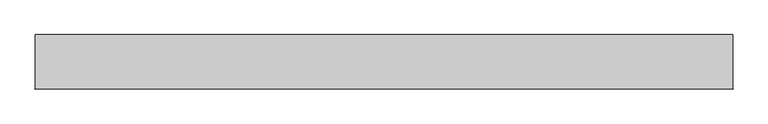
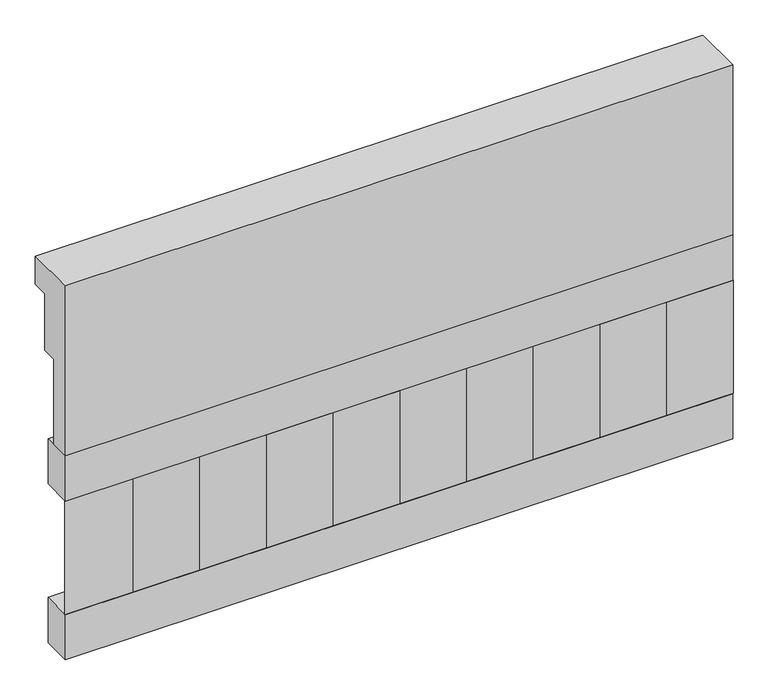
"""IFC4 building model written with IfcOpenShell, lengths in millimetres: railing geometry."""

from ifc_helpers import new_model, si_unit, frame, origin, place, context, project, spatial, polyline, outline, extrude, source, transform, mapped, element, save


def railing_fdb1b1fe(model_context):
    return source(origin(), model_context, "Body", "SweptSolid", [
        extrude(outline(polyline([(903.1079487, 15200.0), (1033.1079487, 15200.0), (1033.1079487, 15125.0), (993.1079487, 15125.0), (993.1079487, 14975.0), (953.1079487, 14975.0), (953.1079487, 14750.0), (903.1079487, 14750.0), (903.1079487, 15200.0)])), frame((-26239.9887159, 0.0, 0.0), z_axis=(1.0, 0.0, 0.0), x_axis=(0.0, 1.0, 0.0)), (0.0, 0.0, 1.0), 1670.0),
        extrude(outline(polyline([(-24569.9887159, 978.1079487), (-24569.9887159, 903.1079487), (-26239.9887159, 903.1079487), (-26239.9887159, 978.1079487), (-24569.9887159, 978.1079487)])), frame((0.0, 0.0, 14630.0), z_axis=(0.0, 0.0, 1.0), x_axis=(1.0, 0.0, 0.0)), (0.0, 0.0, 1.0), 120.0),
        extrude(outline(polyline([(-24569.9887159, 978.1079487), (-24569.9887159, 903.1079487), (-26239.9887159, 903.1079487), (-26239.9887159, 978.1079487), (-24569.9887159, 978.1079487)])), frame((0.0, 0.0, 14210.0), z_axis=(0.0, 0.0, 1.0), x_axis=(1.0, 0.0, 0.0)), (0.0, 0.0, 1.0), 120.0),
        extrude(outline(polyline([(-26156.4887159, 987.9607624), (-26071.6359022, 903.1079487), (-26241.3415296, 903.1079487), (-26156.4887159, 987.9607624)])), frame((0.0, 0.0, 14330.0), z_axis=(0.0, 0.0, 1.0), x_axis=(1.0, 0.0, 0.0)), (0.0, 0.0, 1.0), 300.0),
        extrude(outline(polyline([(-25989.4887159, 987.9607624), (-25904.6359022, 903.1079487), (-26074.3415296, 903.1079487), (-25989.4887159, 987.9607624)])), frame((0.0, 0.0, 14330.0), z_axis=(0.0, 0.0, 1.0), x_axis=(1.0, 0.0, 0.0)), (0.0, 0.0, 1.0), 300.0),
        extrude(outline(polyline([(-25822.4887159, 987.9607624), (-25737.6359022, 903.1079487), (-25907.3415296, 903.1079487), (-25822.4887159, 987.9607624)])), frame((0.0, 0.0, 14330.0), z_axis=(0.0, 0.0, 1.0), x_axis=(1.0, 0.0, 0.0)), (0.0, 0.0, 1.0), 300.0),
        extrude(outline(polyline([(-25655.4887159, 987.9607624), (-25570.6359022, 903.1079487), (-25740.3415296, 903.1079487), (-25655.4887159, 987.9607624)])), frame((0.0, 0.0, 14330.0), z_axis=(0.0, 0.0, 1.0), x_axis=(1.0, 0.0, 0.0)), (0.0, 0.0, 1.0), 300.0),
        extrude(outline(polyline([(-25488.4887159, 987.9607624), (-25403.6359022, 903.1079487), (-25573.3415296, 903.1079487), (-25488.4887159, 987.9607624)])), frame((0.0, 0.0, 14330.0), z_axis=(0.0, 0.0, 1.0), x_axis=(1.0, 0.0, 0.0)), (0.0, 0.0, 1.0), 300.0),
        extrude(outline(polyline([(-25321.4887159, 987.9607624), (-25236.6359022, 903.1079487), (-25406.3415296, 903.1079487), (-25321.4887159, 987.9607624)])), frame((0.0, 0.0, 14330.0), z_axis=(0.0, 0.0, 1.0), x_axis=(1.0, 0.0, 0.0)), (0.0, 0.0, 1.0), 300.0),
        extrude(outline(polyline([(-25154.4887159, 987.9607624), (-25069.6359022, 903.1079487), (-25239.3415296, 903.1079487), (-25154.4887159, 987.9607624)])), frame((0.0, 0.0, 14330.0), z_axis=(0.0, 0.0, 1.0), x_axis=(1.0, 0.0, 0.0)), (0.0, 0.0, 1.0), 300.0),
        extrude(outline(polyline([(-24987.4887159, 987.9607624), (-24902.6359022, 903.1079487), (-25072.3415296, 903.1079487), (-24987.4887159, 987.9607624)])), frame((0.0, 0.0, 14330.0), z_axis=(0.0, 0.0, 1.0), x_axis=(1.0, 0.0, 0.0)), (0.0, 0.0, 1.0), 300.0),
        extrude(outline(polyline([(-24820.4887159, 987.9607624), (-24735.6359022, 903.1079487), (-24905.3415296, 903.1079487), (-24820.4887159, 987.9607624)])), frame((0.0, 0.0, 14330.0), z_axis=(0.0, 0.0, 1.0), x_axis=(1.0, 0.0, 0.0)), (0.0, 0.0, 1.0), 300.0),
        extrude(outline(polyline([(-24653.4887159, 987.9607624), (-24568.6359022, 903.1079487), (-24738.3415296, 903.1079487), (-24653.4887159, 987.9607624)])), frame((0.0, 0.0, 14330.0), z_axis=(0.0, 0.0, 1.0), x_axis=(1.0, 0.0, 0.0)), (0.0, 0.0, 1.0), 300.0),
    ])


if __name__ == "__main__":
    model = new_model("IFC4")
    model_context = context("Model", 3, world=origin())
    ifc_project = project(units=[si_unit("LENGTHUNIT", "METRE", prefix="MILLI")], contexts=[model_context])
    site = spatial("IfcSite", under=ifc_project)
    building = spatial("IfcBuilding", under=site)
    placement = place(None, origin())
    railing_shape = railing_fdb1b1fe(model_context)
    element("IfcRailing", 1, at=placement, inside=building, context=model_context, shape_type="MappedRepresentation", body=[
        mapped(railing_shape, transform((0.0, 0.0, 0.0), x_axis=(1.0, 0.0, 0.0), y_axis=(0.0, 1.0, 0.0), z_axis=(0.0, 0.0, 1.0))),
    ])
    save(model, "model.ifc")
